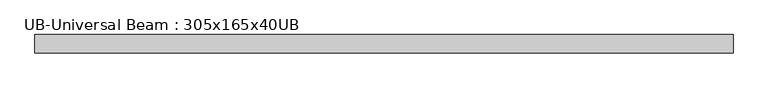
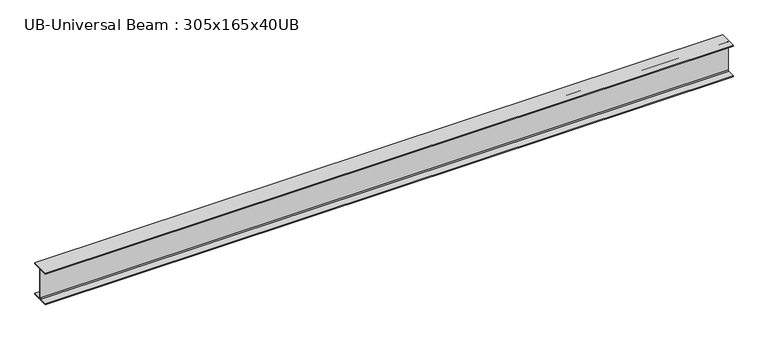
"""IFC4 building model written with IfcOpenShell, lengths in millimetres: beam geometry, UB-Universal Beam : 305x165x40UB."""

from ifc_helpers import new_model, si_unit, point, frame, frame_2d, origin, place, context, project, spatial, polyline, circle_curve, trimmed, segment, composite_curve, outline, extrude, source, transform, mapped, element, save


def ub_universal_beam_305x165x40ub_6a8746d9(model_context):
    return source(origin(), model_context, "Body", "SweptSolid", [
        extrude(outline(composite_curve([segment(polyline([(82.5, -141.5), (82.5, -151.7), (-82.5, -151.7), (-82.5, -141.5), (-11.9, -141.5)]), True, "CONTINUOUS"), segment(trimmed(circle_curve(frame_2d((-11.9, -132.6)), 8.9), [point((-11.9, -141.5))], [point((-3.0, -132.6))], True, "CARTESIAN"), True, "CONTINUOUS"), segment(polyline([(-3.0, -132.6), (-3.0, 132.6)]), True, "CONTINUOUS"), segment(trimmed(circle_curve(frame_2d((-11.9, 132.6)), 8.9), [point((-3.0, 132.6))], [point((-11.9, 141.5))], True, "CARTESIAN"), True, "CONTINUOUS"), segment(polyline([(-11.9, 141.5), (-82.5, 141.5), (-82.5, 151.7), (82.5, 151.7), (82.5, 141.5), (11.9, 141.5)]), True, "CONTINUOUS"), segment(trimmed(circle_curve(frame_2d((11.9, 132.6)), 8.9), [point((11.9, 141.5))], [point((3.0, 132.6))], True, "CARTESIAN"), True, "CONTINUOUS"), segment(polyline([(3.0, 132.6), (3.0, -132.6)]), True, "CONTINUOUS"), segment(trimmed(circle_curve(frame_2d((11.9, -132.6)), 8.9), [point((3.0, -132.6))], [point((11.9, -141.5))], True, "CARTESIAN"), True, "CONTINUOUS"), segment(polyline([(11.9, -141.5), (82.5, -141.5)]), True, "CONTINUOUS")], self_intersect=False)), frame((-3185.6481757, 0.0, 0.0), z_axis=(1.0, 0.0, 0.0), x_axis=(0.0, 1.0, 0.0)), (0.0, 0.0, 1.0), 6246.2191959),
    ])


if __name__ == "__main__":
    model = new_model("IFC4")
    model_context = context("Model", 3, world=origin())
    ifc_project = project(units=[si_unit("LENGTHUNIT", "METRE", prefix="MILLI")], contexts=[model_context])
    site = spatial("IfcSite", under=ifc_project)
    building = spatial("IfcBuilding", under=site)
    placement = place(None, origin())
    ub_universal_beam_305x165x40ub_shape = ub_universal_beam_305x165x40ub_6a8746d9(model_context)
    element("IfcBeam", 1, ObjectType="UB-Universal Beam : 305x165x40UB", at=placement, inside=building, context=model_context, shape_type="MappedRepresentation", body=[
        mapped(ub_universal_beam_305x165x40ub_shape, transform((0.0, 0.0, 0.0), x_axis=(1.0, 0.0, 0.0), y_axis=(0.0, 1.0, 0.0), z_axis=(0.0, 0.0, 1.0))),
    ])
    save(model, "model.ifc")
